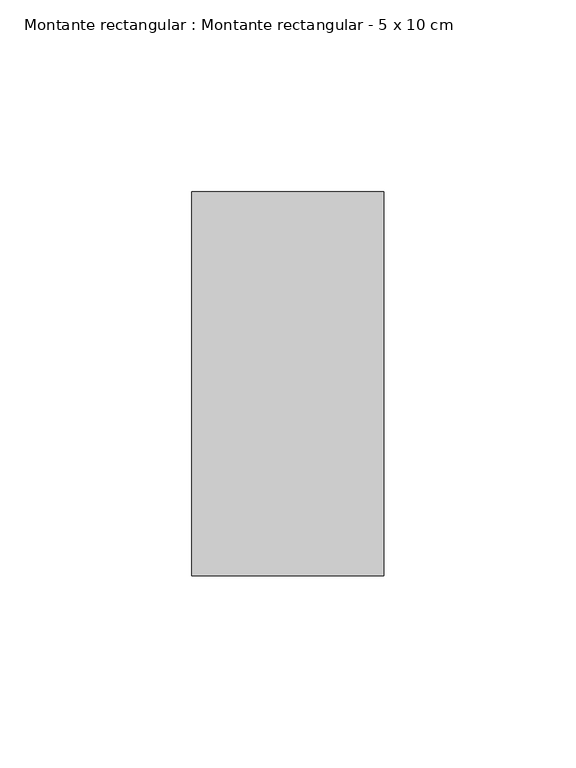
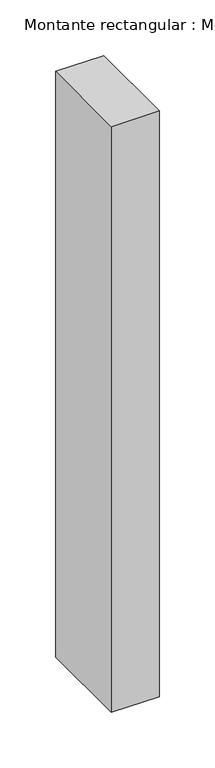
"""IFC4 building model written with IfcOpenShell, lengths in millimetres: member geometry, Montante rectangular : Montante rectangular - 5 x 10 cm."""

from ifc_helpers import new_model, si_unit, frame, origin, place, context, project, spatial, polyline, outline, extrude, source, transform, mapped, element, save


def montante_rectangular_montante_rectangular_5_x_10_cm_ead7c39e(model_context):
    return source(origin(), model_context, "Body", "SweptSolid", [
        extrude(outline(polyline([(0.0, 50.0), (0.0, -50.0), (-50.0, -50.0), (-50.0, 50.0), (0.0, 50.0)])), frame((0.0, 0.0, -643.7086579), z_axis=(0.0, 0.0, 1.0), x_axis=(1.0, 0.0, 0.0)), (0.0, 0.0, 1.0), 643.7086579),
    ])


if __name__ == "__main__":
    model = new_model("IFC4")
    model_context = context("Model", 3, world=origin())
    ifc_project = project(units=[si_unit("LENGTHUNIT", "METRE", prefix="MILLI")], contexts=[model_context])
    site = spatial("IfcSite", under=ifc_project)
    building = spatial("IfcBuilding", under=site)
    placement = place(None, origin())
    montante_rectangular_montante_rectangular_5_x_10_cm_shape = montante_rectangular_montante_rectangular_5_x_10_cm_ead7c39e(model_context)
    element("IfcMember", 1, ObjectType="Montante rectangular : Montante rectangular - 5 x 10 cm", at=placement, inside=building, context=model_context, shape_type="MappedRepresentation", body=[
        mapped(montante_rectangular_montante_rectangular_5_x_10_cm_shape, transform((0.0, 0.0, 0.0), x_axis=(1.0, 0.0, 0.0), y_axis=(0.0, 1.0, 0.0), z_axis=(0.0, 0.0, 1.0))),
    ])
    save(model, "model.ifc")
